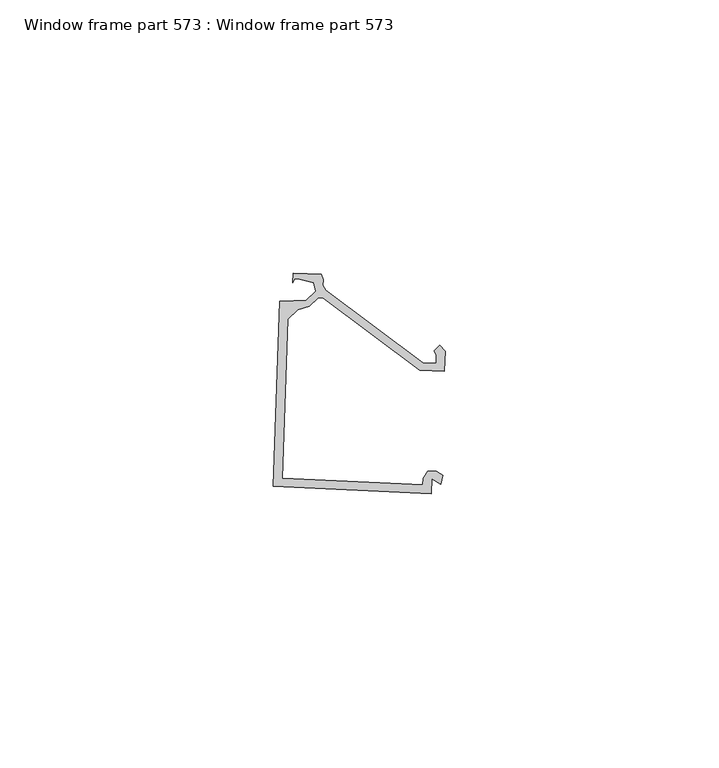
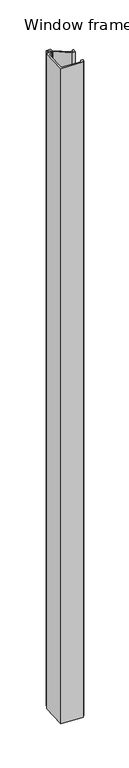
"""IFC4 building model written with IfcOpenShell, lengths in millimetres: proxy geometry, Window frame part 573 : Window frame part 573."""

import ifcopenshell
import ifcopenshell.guid

model = None  # the IFC model being written
_history = None  # IfcOwnerHistory: only IFC2X3 demands one
_inside = {}  # id of a spatial element -> (the spatial element, [elements in it])
_under = {}  # id of a project, library or spatial element -> (it, [spatial elements below it])
_declared = {}  # id of a project -> (the project, [libraries it declares])
_typed = {}  # id of a type object -> (the type object, [elements of that type])
_made_of = {}  # id of a material, layer set ... -> (it, [elements and type objects made of it])


def new_model(schema):
    """Start an empty IFC model of exactly this schema.

    Asked for "IFC4X3", IfcOpenShell would pick the latest addendum, in which some entities
    have other attributes; the version numbers below select the first issue.
    IFC2X3 requires an IfcOwnerHistory on every rooted entity: one is made here for all.
    """
    global model, _history
    if schema == "IFC4X3":
        model = ifcopenshell.file(schema_version=(4, 3, 0, 0))
    else:
        model = ifcopenshell.file(schema=schema)
    _inside.clear()
    _under.clear()
    _declared.clear()
    _typed.clear()
    _made_of.clear()
    _history = None
    if model.schema == "IFC2X3":
        org = make("IfcOrganization", Name="unknown")
        user = make(
            "IfcPersonAndOrganization",
            ThePerson=make("IfcPerson", FamilyName="unknown"),
            TheOrganization=org,
        )
        app = make(
            "IfcApplication",
            ApplicationDeveloper=org,
            Version="unknown",
            ApplicationFullName="unknown",
            ApplicationIdentifier="unknown",
        )
        _history = make(
            "IfcOwnerHistory",
            OwningUser=user,
            OwningApplication=app,
            ChangeAction="ADDED",
            CreationDate=0,
        )
    return model


def make(cls, **values):
    """One entity of the class cls with the attributes given. An attribute that is None is left unset."""
    return model.create_entity(
        cls, **{name: value for name, value in values.items() if value is not None}
    )


def rooted(cls, **values):
    """An entity with a GlobalId (a new one), such as an element, a storey or a relation."""
    return make(cls, GlobalId=ifcopenshell.guid.new(), OwnerHistory=_history, **values)


def si_unit(unit_type, name, prefix=None):
    """IfcSIUnit, for example si_unit("LENGTHUNIT", "METRE", prefix="MILLI")."""
    return make("IfcSIUnit", UnitType=unit_type, Prefix=prefix, Name=name)


def assignment(units):
    """IfcUnitAssignment: the units of a project."""
    return None if units is None else make("IfcUnitAssignment", Units=units)


def point(xyz):
    """IfcCartesianPoint."""
    return None if xyz is None else make("IfcCartesianPoint", Coordinates=xyz)


def direction(xyz):
    """IfcDirection."""
    return None if xyz is None else make("IfcDirection", DirectionRatios=xyz)


def frame(location, z_axis=None, x_axis=None):
    """IfcAxis2Placement3D, a coordinate frame: its origin and axes. An axis left out is left unset."""
    return make(
        "IfcAxis2Placement3D",
        Location=point(location),
        Axis=direction(z_axis),
        RefDirection=direction(x_axis),
    )


def origin():
    """The frame at (0, 0, 0) with its axes left unset."""
    return frame((0.0, 0.0, 0.0))


def place(relative_to, where):
    """IfcLocalPlacement: puts the frame where relative to a parent placement (None: the world)."""
    return make(
        "IfcLocalPlacement", PlacementRelTo=relative_to, RelativePlacement=where
    )


def context(
    kind, dimensions, precision=None, world=None, true_north=None, identifier=None
):
    """IfcGeometricRepresentationContext, for example the 3D "Model" context."""
    return make(
        "IfcGeometricRepresentationContext",
        ContextIdentifier=identifier,
        ContextType=kind,
        CoordinateSpaceDimension=dimensions,
        Precision=precision,
        WorldCoordinateSystem=world,
        TrueNorth=true_north,
    )


def project(units=None, contexts=None):
    """IfcProject with its units and contexts."""
    return rooted(
        "IfcProject",
        Name="project",
        RepresentationContexts=contexts,
        UnitsInContext=assignment(units),
    )


def spatial(cls, under=None, at=None, **own):
    """A site, building, storey or space (cls), placed at a placement, below another one or the project."""
    s = rooted(cls, ObjectPlacement=at, **own)
    if under is not None:
        _under.setdefault(under.id(), (under, []))[1].append(s)
    return s


def polyline(points):
    """IfcPolyline through the points."""
    return make("IfcPolyline", Points=[point(p) for p in points])


def outline(outer, holes=None, kind="AREA"):
    """IfcArbitraryClosedProfileDef: a profile drawn as a closed curve; with holes, ...WithVoids."""
    if holes is None:
        return make("IfcArbitraryClosedProfileDef", ProfileType=kind, OuterCurve=outer)
    return make(
        "IfcArbitraryProfileDefWithVoids",
        ProfileType=kind,
        OuterCurve=outer,
        InnerCurves=holes,
    )


def extrude(swept, where, along, depth):
    """IfcExtrudedAreaSolid: the profile swept, set in the frame where, extruded along a direction by depth."""
    return make(
        "IfcExtrudedAreaSolid",
        SweptArea=swept,
        Position=where,
        ExtrudedDirection=direction(along),
        Depth=depth,
    )


def shape(context_of_items, identifier, shape_type, items):
    """IfcShapeRepresentation: the items that make up one representation, for example the "Body"."""
    return make(
        "IfcShapeRepresentation",
        ContextOfItems=context_of_items,
        RepresentationIdentifier=identifier,
        RepresentationType=shape_type,
        Items=items,
    )


def source(mapping_origin, context_of_items, identifier, shape_type, items):
    """IfcRepresentationMap: a shape defined once, which mapped items show again and again."""
    return make(
        "IfcRepresentationMap",
        MappingOrigin=mapping_origin,
        MappedRepresentation=shape(context_of_items, identifier, shape_type, items),
    )


def transform(
    local_origin,
    x_axis=None,
    y_axis=None,
    z_axis=None,
    scale=None,
    scale2=None,
    scale3=None,
    uniform=True,
):
    """IfcCartesianTransformationOperator3D, or its non-uniform kind. x_axis, y_axis, z_axis: its Axis1, 2, 3."""
    if uniform:
        return make(
            "IfcCartesianTransformationOperator3D",
            Axis1=direction(x_axis),
            Axis2=direction(y_axis),
            LocalOrigin=point(local_origin),
            Scale=scale,
            Axis3=direction(z_axis),
        )
    return make(
        "IfcCartesianTransformationOperator3DnonUniform",
        Axis1=direction(x_axis),
        Axis2=direction(y_axis),
        LocalOrigin=point(local_origin),
        Scale=scale,
        Axis3=direction(z_axis),
        Scale2=scale2,
        Scale3=scale3,
    )


def mapped(mapping_source, mapping_target):
    """IfcMappedItem: shows the shape of a source again, moved by a transform."""
    return make(
        "IfcMappedItem", MappingSource=mapping_source, MappingTarget=mapping_target
    )


def made_of(thing, what):
    """Note that an element or type object is made of a material, layer set ...; save() writes the relation."""
    if what is not None:
        _made_of.setdefault(what.id(), (what, []))[1].append(thing)
    return thing


def element(
    cls,
    number,
    at=None,
    inside=None,
    cuts=None,
    type_object=None,
    material=None,
    context=None,
    identifier="Body",
    shape_type=None,
    held_by="IfcProductDefinitionShape",
    body=None,
    shapes=None,
    **own,
):
    """One element of the class cls, such as IfcWall. Its Tag is "e" and its number.

    at: its placement. inside: the storey or other place that contains it. cuts: it is an
    opening in that element (IfcRelVoidsElement). A single representation is given by context,
    identifier, shape_type and body (its items); several are given by shapes. held_by: the class
    of the entity that holds the representations. save() writes the other relations.
    """
    e = rooted(cls, Tag="e%d" % number, ObjectPlacement=at, **own)
    if body is not None:
        shapes = [shape(context, identifier, shape_type, body)]
    if shapes is not None:
        e.Representation = make(held_by, Representations=shapes)
    if inside is not None:
        _inside.setdefault(inside.id(), (inside, []))[1].append(e)
    if cuts is not None:
        rooted(
            "IfcRelVoidsElement", RelatingBuildingElement=cuts, RelatedOpeningElement=e
        )
    if type_object is not None:
        _typed.setdefault(type_object.id(), (type_object, []))[1].append(e)
    return made_of(e, material)


def aggregate(whole, parts):
    """IfcRelAggregates: a whole, such as a stair, and the parts it consists of."""
    return rooted("IfcRelAggregates", RelatingObject=whole, RelatedObjects=parts)


def save(model, path):
    """Write the relations noted so far, then the file.

    IfcRelAggregates (storeys below a building ...), IfcRelContainedInSpatialStructure (elements
    in a storey), IfcRelDefinesByType, IfcRelAssociatesMaterial and IfcRelDeclares: one each for
    every whole, place, type object, material and project.
    """
    for whole, parts in _under.values():
        aggregate(whole, parts)
    for where, things in _inside.values():
        rooted(
            "IfcRelContainedInSpatialStructure",
            RelatedElements=things,
            RelatingStructure=where,
        )
    for kind, things in _typed.values():
        rooted("IfcRelDefinesByType", RelatedObjects=things, RelatingType=kind)
    for what, things in _made_of.values():
        rooted("IfcRelAssociatesMaterial", RelatedObjects=things, RelatingMaterial=what)
    for by, libraries in _declared.values():
        rooted("IfcRelDeclares", RelatingContext=by, RelatedDefinitions=libraries)
    model.write(path)


def window_frame_part_573_window_frame_part_573_31e6109b(model_context):
    return source(origin(), model_context, "Body", "SweptSolid", [
        extrude(outline(polyline([(34510.1001991, -15541.9714012), (34511.2507919, -15508.1126877), (34513.8354361, -15508.0282106), (34516.1105611, -15507.917881), (34517.8581962, -15506.281525), (34517.5080378, -15504.70657), (34514.9336229, -15504.0506261), (34513.9689576, -15504.0185031), (34513.6398116, -15504.744551), (34513.6981401, -15502.9929219), (34518.8259709, -15503.1636765), (34519.2001455, -15504.1419984), (34519.1646412, -15505.2082074), (34519.6943081, -15506.0923871), (34537.384838, -15519.378299), (34539.8599661, -15519.4607197), (34539.908935, -15517.9901611), (34539.4926544, -15517.135322), (34540.541889, -15516.1541832), (34541.5235126, -15517.2034339), (34541.4000929, -15520.9097796), (34536.8981159, -15520.7598656), (34519.1697501, -15507.4455382), (34518.3545989, -15507.4895822), (34516.6854043, -15509.0511921), (34514.5446028, -15509.6274985), (34512.7084139, -15511.3453396), (34511.7383855, -15540.4756934), (34537.4623817, -15541.6626746), (34537.5017377, -15540.4807966), (34538.3341899, -15539.143888), (34539.908209, -15539.1964706), (34541.0755119, -15539.9212916), (34540.6896106, -15541.5604531), (34539.0876766, -15540.5541021), (34538.9959572, -15543.3084754), (34510.1001991, -15541.9714012)])), frame((0.0, 0.0, 1597.975708), z_axis=(0.0, 0.0, 1.0), x_axis=(1.0, 0.0, 0.0)), (0.0, 0.0, 1.0), 914.4),
    ])


if __name__ == "__main__":
    model = new_model("IFC4")
    model_context = context("Model", 3, world=origin())
    ifc_project = project(units=[si_unit("LENGTHUNIT", "METRE", prefix="MILLI")], contexts=[model_context])
    site = spatial("IfcSite", under=ifc_project)
    building = spatial("IfcBuilding", under=site)
    placement = place(None, origin())
    window_frame_part_573_window_frame_part_573_shape = window_frame_part_573_window_frame_part_573_31e6109b(model_context)
    element("IfcBuildingElementProxy", 1, Name="Window frame part 573 : Window frame part 573", ObjectType="Window frame part 573 : Window frame part 573", at=placement, inside=building, context=model_context, shape_type="MappedRepresentation", body=[
        mapped(window_frame_part_573_window_frame_part_573_shape, transform((0.0, 0.0, 0.0), x_axis=(1.0, 0.0, 0.0), y_axis=(0.0, 1.0, 0.0), z_axis=(0.0, 0.0, 1.0))),
    ])
    save(model, "model.ifc")
